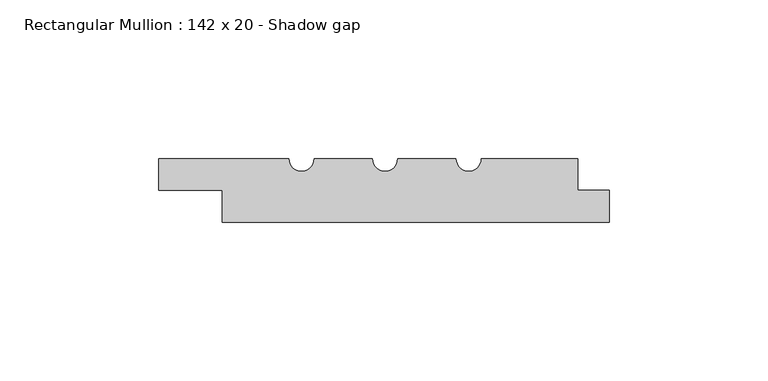
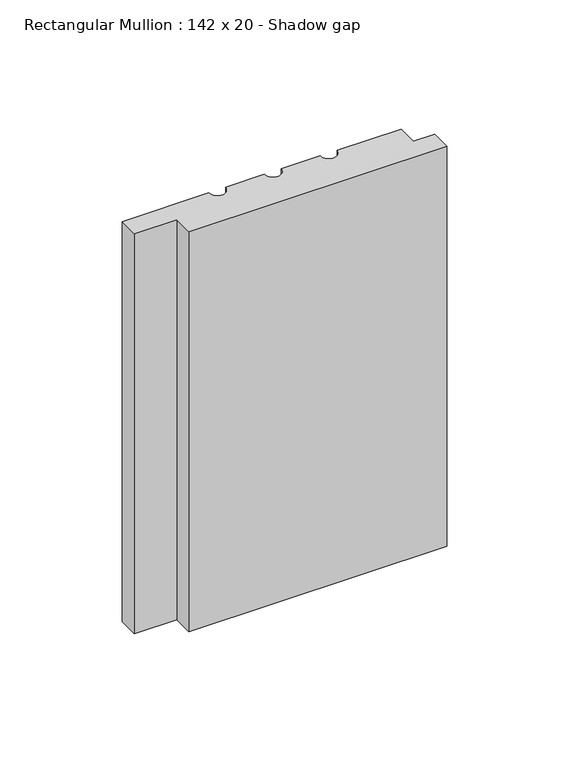
"""IFC4 building model written with IfcOpenShell, lengths in millimetres: member geometry, Rectangular Mullion : 142 x 20 - Shadow gap."""

import ifcopenshell
import ifcopenshell.guid

model = None  # the IFC model being written
_history = None  # IfcOwnerHistory: only IFC2X3 demands one
_inside = {}  # id of a spatial element -> (the spatial element, [elements in it])
_under = {}  # id of a project, library or spatial element -> (it, [spatial elements below it])
_declared = {}  # id of a project -> (the project, [libraries it declares])
_typed = {}  # id of a type object -> (the type object, [elements of that type])
_made_of = {}  # id of a material, layer set ... -> (it, [elements and type objects made of it])


def new_model(schema):
    """Start an empty IFC model of exactly this schema.

    Asked for "IFC4X3", IfcOpenShell would pick the latest addendum, in which some entities
    have other attributes; the version numbers below select the first issue.
    IFC2X3 requires an IfcOwnerHistory on every rooted entity: one is made here for all.
    """
    global model, _history
    if schema == "IFC4X3":
        model = ifcopenshell.file(schema_version=(4, 3, 0, 0))
    else:
        model = ifcopenshell.file(schema=schema)
    _inside.clear()
    _under.clear()
    _declared.clear()
    _typed.clear()
    _made_of.clear()
    _history = None
    if model.schema == "IFC2X3":
        org = make("IfcOrganization", Name="unknown")
        user = make(
            "IfcPersonAndOrganization",
            ThePerson=make("IfcPerson", FamilyName="unknown"),
            TheOrganization=org,
        )
        app = make(
            "IfcApplication",
            ApplicationDeveloper=org,
            Version="unknown",
            ApplicationFullName="unknown",
            ApplicationIdentifier="unknown",
        )
        _history = make(
            "IfcOwnerHistory",
            OwningUser=user,
            OwningApplication=app,
            ChangeAction="ADDED",
            CreationDate=0,
        )
    return model


def make(cls, **values):
    """One entity of the class cls with the attributes given. An attribute that is None is left unset."""
    return model.create_entity(
        cls, **{name: value for name, value in values.items() if value is not None}
    )


def rooted(cls, **values):
    """An entity with a GlobalId (a new one), such as an element, a storey or a relation."""
    return make(cls, GlobalId=ifcopenshell.guid.new(), OwnerHistory=_history, **values)


def si_unit(unit_type, name, prefix=None):
    """IfcSIUnit, for example si_unit("LENGTHUNIT", "METRE", prefix="MILLI")."""
    return make("IfcSIUnit", UnitType=unit_type, Prefix=prefix, Name=name)


def assignment(units):
    """IfcUnitAssignment: the units of a project."""
    return None if units is None else make("IfcUnitAssignment", Units=units)


def point(xyz):
    """IfcCartesianPoint."""
    return None if xyz is None else make("IfcCartesianPoint", Coordinates=xyz)


def direction(xyz):
    """IfcDirection."""
    return None if xyz is None else make("IfcDirection", DirectionRatios=xyz)


def frame(location, z_axis=None, x_axis=None):
    """IfcAxis2Placement3D, a coordinate frame: its origin and axes. An axis left out is left unset."""
    return make(
        "IfcAxis2Placement3D",
        Location=point(location),
        Axis=direction(z_axis),
        RefDirection=direction(x_axis),
    )


def frame_2d(location, x_axis=None):
    """IfcAxis2Placement2D, a coordinate frame in the plane: its origin and x axis."""
    return make(
        "IfcAxis2Placement2D", Location=point(location), RefDirection=direction(x_axis)
    )


def origin():
    """The frame at (0, 0, 0) with its axes left unset."""
    return frame((0.0, 0.0, 0.0))


def place(relative_to, where):
    """IfcLocalPlacement: puts the frame where relative to a parent placement (None: the world)."""
    return make(
        "IfcLocalPlacement", PlacementRelTo=relative_to, RelativePlacement=where
    )


def context(
    kind, dimensions, precision=None, world=None, true_north=None, identifier=None
):
    """IfcGeometricRepresentationContext, for example the 3D "Model" context."""
    return make(
        "IfcGeometricRepresentationContext",
        ContextIdentifier=identifier,
        ContextType=kind,
        CoordinateSpaceDimension=dimensions,
        Precision=precision,
        WorldCoordinateSystem=world,
        TrueNorth=true_north,
    )


def project(units=None, contexts=None):
    """IfcProject with its units and contexts."""
    return rooted(
        "IfcProject",
        Name="project",
        RepresentationContexts=contexts,
        UnitsInContext=assignment(units),
    )


def spatial(cls, under=None, at=None, **own):
    """A site, building, storey or space (cls), placed at a placement, below another one or the project."""
    s = rooted(cls, ObjectPlacement=at, **own)
    if under is not None:
        _under.setdefault(under.id(), (under, []))[1].append(s)
    return s


def polyline(points):
    """IfcPolyline through the points."""
    return make("IfcPolyline", Points=[point(p) for p in points])


def circle_curve(where, radius):
    """IfcCircle in the frame where."""
    return make("IfcCircle", Position=where, Radius=radius)


def trimmed(basis, trim1, trim2, sense, master):
    """IfcTrimmedCurve: the piece of a basis curve between two trims."""
    return make(
        "IfcTrimmedCurve",
        BasisCurve=basis,
        Trim1=trim1,
        Trim2=trim2,
        SenseAgreement=sense,
        MasterRepresentation=master,
    )


def segment(curve, same_sense, transition):
    """IfcCompositeCurveSegment."""
    return make(
        "IfcCompositeCurveSegment",
        Transition=transition,
        SameSense=same_sense,
        ParentCurve=curve,
    )


def composite_curve(segments, self_intersect=None):
    """IfcCompositeCurve: segments joined end to end."""
    return make("IfcCompositeCurve", Segments=segments, SelfIntersect=self_intersect)


def outline(outer, holes=None, kind="AREA"):
    """IfcArbitraryClosedProfileDef: a profile drawn as a closed curve; with holes, ...WithVoids."""
    if holes is None:
        return make("IfcArbitraryClosedProfileDef", ProfileType=kind, OuterCurve=outer)
    return make(
        "IfcArbitraryProfileDefWithVoids",
        ProfileType=kind,
        OuterCurve=outer,
        InnerCurves=holes,
    )


def extrude(swept, where, along, depth):
    """IfcExtrudedAreaSolid: the profile swept, set in the frame where, extruded along a direction by depth."""
    return make(
        "IfcExtrudedAreaSolid",
        SweptArea=swept,
        Position=where,
        ExtrudedDirection=direction(along),
        Depth=depth,
    )


def shape(context_of_items, identifier, shape_type, items):
    """IfcShapeRepresentation: the items that make up one representation, for example the "Body"."""
    return make(
        "IfcShapeRepresentation",
        ContextOfItems=context_of_items,
        RepresentationIdentifier=identifier,
        RepresentationType=shape_type,
        Items=items,
    )


def source(mapping_origin, context_of_items, identifier, shape_type, items):
    """IfcRepresentationMap: a shape defined once, which mapped items show again and again."""
    return make(
        "IfcRepresentationMap",
        MappingOrigin=mapping_origin,
        MappedRepresentation=shape(context_of_items, identifier, shape_type, items),
    )


def transform(
    local_origin,
    x_axis=None,
    y_axis=None,
    z_axis=None,
    scale=None,
    scale2=None,
    scale3=None,
    uniform=True,
):
    """IfcCartesianTransformationOperator3D, or its non-uniform kind. x_axis, y_axis, z_axis: its Axis1, 2, 3."""
    if uniform:
        return make(
            "IfcCartesianTransformationOperator3D",
            Axis1=direction(x_axis),
            Axis2=direction(y_axis),
            LocalOrigin=point(local_origin),
            Scale=scale,
            Axis3=direction(z_axis),
        )
    return make(
        "IfcCartesianTransformationOperator3DnonUniform",
        Axis1=direction(x_axis),
        Axis2=direction(y_axis),
        LocalOrigin=point(local_origin),
        Scale=scale,
        Axis3=direction(z_axis),
        Scale2=scale2,
        Scale3=scale3,
    )


def mapped(mapping_source, mapping_target):
    """IfcMappedItem: shows the shape of a source again, moved by a transform."""
    return make(
        "IfcMappedItem", MappingSource=mapping_source, MappingTarget=mapping_target
    )


def made_of(thing, what):
    """Note that an element or type object is made of a material, layer set ...; save() writes the relation."""
    if what is not None:
        _made_of.setdefault(what.id(), (what, []))[1].append(thing)
    return thing


def element(
    cls,
    number,
    at=None,
    inside=None,
    cuts=None,
    type_object=None,
    material=None,
    context=None,
    identifier="Body",
    shape_type=None,
    held_by="IfcProductDefinitionShape",
    body=None,
    shapes=None,
    **own,
):
    """One element of the class cls, such as IfcWall. Its Tag is "e" and its number.

    at: its placement. inside: the storey or other place that contains it. cuts: it is an
    opening in that element (IfcRelVoidsElement). A single representation is given by context,
    identifier, shape_type and body (its items); several are given by shapes. held_by: the class
    of the entity that holds the representations. save() writes the other relations.
    """
    e = rooted(cls, Tag="e%d" % number, ObjectPlacement=at, **own)
    if body is not None:
        shapes = [shape(context, identifier, shape_type, body)]
    if shapes is not None:
        e.Representation = make(held_by, Representations=shapes)
    if inside is not None:
        _inside.setdefault(inside.id(), (inside, []))[1].append(e)
    if cuts is not None:
        rooted(
            "IfcRelVoidsElement", RelatingBuildingElement=cuts, RelatedOpeningElement=e
        )
    if type_object is not None:
        _typed.setdefault(type_object.id(), (type_object, []))[1].append(e)
    return made_of(e, material)


def aggregate(whole, parts):
    """IfcRelAggregates: a whole, such as a stair, and the parts it consists of."""
    return rooted("IfcRelAggregates", RelatingObject=whole, RelatedObjects=parts)


def save(model, path):
    """Write the relations noted so far, then the file.

    IfcRelAggregates (storeys below a building ...), IfcRelContainedInSpatialStructure (elements
    in a storey), IfcRelDefinesByType, IfcRelAssociatesMaterial and IfcRelDeclares: one each for
    every whole, place, type object, material and project.
    """
    for whole, parts in _under.values():
        aggregate(whole, parts)
    for where, things in _inside.values():
        rooted(
            "IfcRelContainedInSpatialStructure",
            RelatedElements=things,
            RelatingStructure=where,
        )
    for kind, things in _typed.values():
        rooted("IfcRelDefinesByType", RelatedObjects=things, RelatingType=kind)
    for what, things in _made_of.values():
        rooted("IfcRelAssociatesMaterial", RelatedObjects=things, RelatingMaterial=what)
    for by, libraries in _declared.values():
        rooted("IfcRelDeclares", RelatingContext=by, RelatedDefinitions=libraries)
    model.write(path)


def rectangular_mullion_142_x_20_shadow_gap_335b3a2a(model_context):
    return source(origin(), model_context, "Body", "SweptSolid", [
        extrude(outline(composite_curve([segment(polyline([(-40.3418977, 0.0), (-10.0, 0.0), (-10.0, -10.0), (0.0, -10.0), (0.0, -20.0), (-122.0, -20.0), (-122.0, -10.0), (-142.0, -10.0), (-142.0, 0.0), (-101.0, 0.0)]), True, "CONTINUOUS"), segment(trimmed(circle_curve(frame_2d((-97.0, 0.0)), 4.0), [point((-101.0, 0.0))], [point((-93.0, 0.0))], True, "CARTESIAN"), True, "CONTINUOUS"), segment(polyline([(-93.0, 0.0), (-74.6755708, 0.0)]), True, "CONTINUOUS"), segment(trimmed(circle_curve(frame_2d((-70.6755708, 0.0)), 4.0), [point((-74.6755708, 0.0))], [point((-66.6755708, 0.0))], True, "CARTESIAN"), True, "CONTINUOUS"), segment(polyline([(-66.6755708, 0.0), (-48.3418977, 0.0)]), True, "CONTINUOUS"), segment(trimmed(circle_curve(frame_2d((-44.3418977, 0.0)), 4.0), [point((-48.3418977, 0.0))], [point((-40.3418977, 0.0))], True, "CARTESIAN"), True, "CONTINUOUS")], self_intersect=False)), frame((0.0, 0.0, -200.0), z_axis=(0.0, 0.0, 1.0), x_axis=(1.0, 0.0, 0.0)), (0.0, 0.0, 1.0), 200.0),
    ])


if __name__ == "__main__":
    model = new_model("IFC4")
    model_context = context("Model", 3, world=origin())
    ifc_project = project(units=[si_unit("LENGTHUNIT", "METRE", prefix="MILLI")], contexts=[model_context])
    site = spatial("IfcSite", under=ifc_project)
    building = spatial("IfcBuilding", under=site)
    placement = place(None, origin())
    rectangular_mullion_142_x_20_shadow_gap_shape = rectangular_mullion_142_x_20_shadow_gap_335b3a2a(model_context)
    element("IfcMember", 1, ObjectType="Rectangular Mullion : 142 x 20 - Shadow gap", at=placement, inside=building, context=model_context, shape_type="MappedRepresentation", body=[
        mapped(rectangular_mullion_142_x_20_shadow_gap_shape, transform((0.0, 0.0, 0.0), x_axis=(1.0, 0.0, 0.0), y_axis=(0.0, 1.0, 0.0), z_axis=(0.0, 0.0, 1.0))),
    ])
    save(model, "model.ifc")
